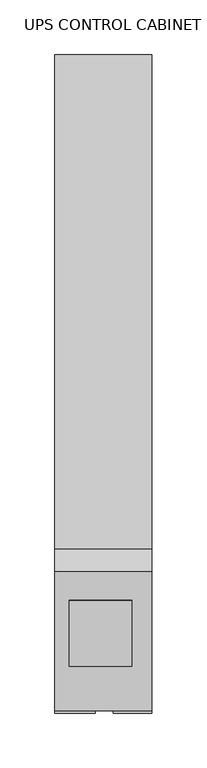
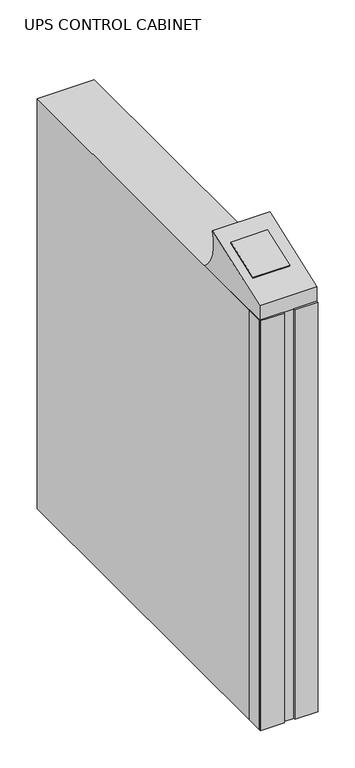
"""IFC4 building model written with IfcOpenShell, lengths in millimetres: proxy geometry, UPS CONTROL CABINET."""

from ifc_helpers import new_model, si_unit, point, frame, frame_2d, origin, origin_with_axes, place, context, project, spatial, polyline, circle_curve, trimmed, segment, composite_curve, outline, extrude, source, transform, mapped, element, save


def ups_control_cabinet_696cf9a3(model_context):
    return source(origin(), model_context, "Body", "SweptSolid", [
        extrude(outline(polyline([(-478.8139025, -565.0142812), (-478.8139025, -595.4716338), (-515.7132784, -595.4716338), (-515.7132784, -565.0142812), (-478.8139025, -565.0142812)])), origin_with_axes(), (0.0, 0.0, 1.0), 673.2017342),
        extrude(outline(polyline([(-426.8132784, -565.8460128), (-426.8132784, -595.4655366), (-462.224479, -595.4655366), (-462.224479, -565.8460128), (-426.8132784, -565.8460128)])), origin_with_axes(), (0.0, 0.0, 1.0), 673.2017342),
        extrude(outline(polyline([(0.0, 0.0), (0.0, -63.5), (-57.15, -63.5), (-57.15, 0.0), (0.0, 0.0)])), frame((-502.5285921, -548.9641792, 704.8332822), z_axis=(0.0, -0.34202014332567116, 0.9396926207859075), x_axis=(-1.0, 0.0, 0.0)), (0.0, 0.0, 1.0), 9.9793202),
        extrude(outline(composite_curve([segment(polyline([(-445.5043249, 673.2017342), (-593.3014082, 673.2017342), (-593.3014082, 697.0067182), (-466.2627747, 743.2449994)]), True, "CONTINUOUS"), segment(trimmed(circle_curve(frame_2d((-405.0538488, 723.2875674)), 64.3803673), [point((-466.2627747, 743.2449994))], [point((-445.5043249, 673.2017342))], True, "CARTESIAN"), True, "CONTINUOUS")], self_intersect=False)), frame((-515.7132784, 0.0, 0.0), z_axis=(1.0, 0.0, 0.0), x_axis=(0.0, 1.0, 0.0)), (0.0, 0.0, 1.0), 88.9),
        extrude(outline(polyline([(-426.8132784, 6.4857188), (-426.8132784, -592.9542812), (-515.7132784, -592.9542812), (-515.7132784, 6.4857188), (-426.8132784, 6.4857188)])), origin_with_axes(), (0.0, 0.0, 1.0), 673.2017342),
    ])


if __name__ == "__main__":
    model = new_model("IFC4")
    model_context = context("Model", 3, world=origin())
    ifc_project = project(units=[si_unit("LENGTHUNIT", "METRE", prefix="MILLI")], contexts=[model_context])
    site = spatial("IfcSite", under=ifc_project)
    building = spatial("IfcBuilding", under=site)
    placement = place(None, origin())
    ups_control_cabinet_shape = ups_control_cabinet_696cf9a3(model_context)
    element("IfcBuildingElementProxy", 1, Name="UPS CONTROL CABINET", ObjectType="UPS CONTROL CABINET", at=placement, inside=building, context=model_context, shape_type="MappedRepresentation", body=[
        mapped(ups_control_cabinet_shape, transform((0.0, 0.0, 0.0), x_axis=(1.0, 0.0, 0.0), y_axis=(0.0, 1.0, 0.0), z_axis=(0.0, 0.0, 1.0))),
    ])
    save(model, "model.ifc")
